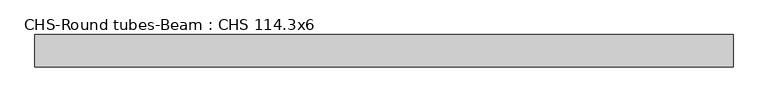
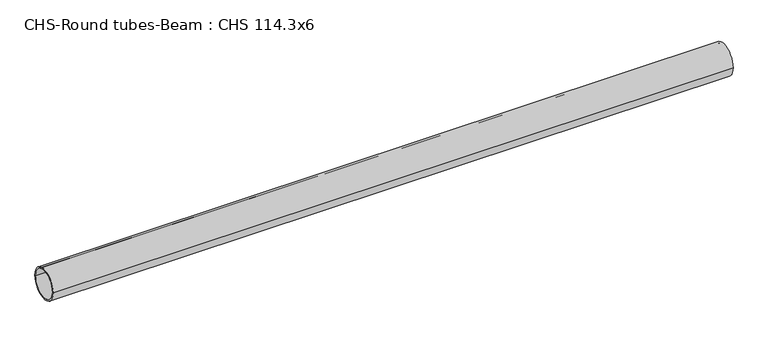
"""IFC4 building model written with IfcOpenShell, lengths in millimetres: beam geometry, CHS-Round tubes-Beam : CHS 114.3x6."""

from ifc_helpers import new_model, si_unit, point, frame, origin, origin_2d, place, context, project, spatial, circle_curve, trimmed, segment, composite_curve, outline, extrude, source, transform, mapped, element, save


def chs_round_tubes_beam_chs_114_3x6_d76f11f1(model_context):
    return source(origin(), model_context, "Body", "SweptSolid", [
        extrude(outline(composite_curve([segment(trimmed(circle_curve(origin_2d(), 57.15), [point((57.15, 0.0))], [point((-57.15, 0.0))], False, "CARTESIAN"), True, "CONTINUOUS"), segment(trimmed(circle_curve(origin_2d(), 57.15), [point((-57.15, 0.0))], [point((57.15, 0.0))], False, "CARTESIAN"), True, "CONTINUOUS")], self_intersect=False), holes=[composite_curve([segment(trimmed(circle_curve(origin_2d(), 51.15), [point((51.15, 0.0))], [point((-51.15, 0.0))], True, "CARTESIAN"), True, "CONTINUOUS"), segment(trimmed(circle_curve(origin_2d(), 51.15), [point((-51.15, 0.0))], [point((51.15, 0.0))], True, "CARTESIAN"), True, "CONTINUOUS")], self_intersect=False)]), frame((-1194.6462849, 0.0, 0.0), z_axis=(1.0, 0.0, 0.0), x_axis=(0.0, 1.0, 0.0)), (0.0, 0.0, 1.0), 2473.7901506),
    ])


if __name__ == "__main__":
    model = new_model("IFC4")
    model_context = context("Model", 3, world=origin())
    ifc_project = project(units=[si_unit("LENGTHUNIT", "METRE", prefix="MILLI")], contexts=[model_context])
    site = spatial("IfcSite", under=ifc_project)
    building = spatial("IfcBuilding", under=site)
    placement = place(None, origin())
    chs_round_tubes_beam_chs_114_3x6_shape = chs_round_tubes_beam_chs_114_3x6_d76f11f1(model_context)
    element("IfcBeam", 1, ObjectType="CHS-Round tubes-Beam : CHS 114.3x6", at=placement, inside=building, context=model_context, shape_type="MappedRepresentation", body=[
        mapped(chs_round_tubes_beam_chs_114_3x6_shape, transform((0.0, 0.0, 0.0), x_axis=(1.0, 0.0, 0.0), y_axis=(0.0, 1.0, 0.0), z_axis=(0.0, 0.0, 1.0))),
    ])
    save(model, "model.ifc")
